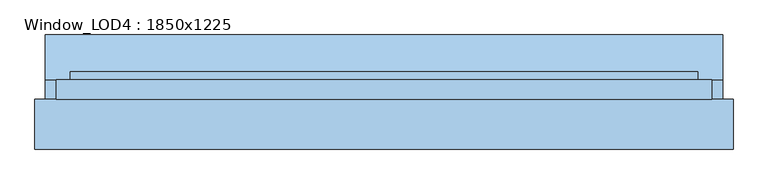
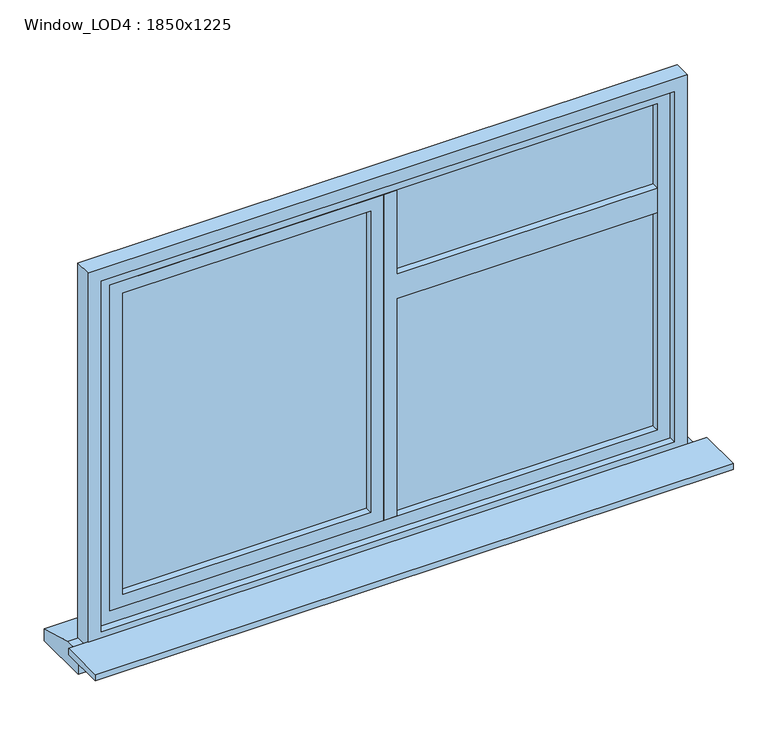
"""IFC4 building model written with IfcOpenShell, lengths in millimetres: window geometry, Window_LOD4 : 1850x1225."""

from ifc_helpers import new_model, si_unit, frame, origin, place, context, project, spatial, polyline, outline, extrude, source, transform, mapped, element, save


def window_lod4_1850x1225_7551479c(model_context):
    return source(origin(), model_context, "Body", "SweptSolid", [
        extrude(outline(polyline([(1590.0, 40.0), (1590.0, 845.000037), (1670.0, 845.000037), (1670.0, 40.0), (1945.0000491, 40.0), (1945.0000491, 0.0), (880.0, 0.0), (880.0, 40.0), (1590.0, 40.0)])), frame((0.0, 40.0, 0.0), z_axis=(0.0, 1.0, 0.0), x_axis=(0.0, 0.0, 1.0)), (0.0, 0.0, 1.0), 55.0),
        extrude(outline(polyline([(1945.0000491, 0.0), (1945.0000491, -845.000037), (880.0, -845.000037), (880.0, 0.0), (1945.0000491, 0.0)]), holes=[polyline([(1905.0000491, -40.0), (920.0, -40.0), (920.0, -805.000037), (1905.0000491, -805.000037), (1905.0000491, -40.0)])]), frame((0.0, 40.0, 0.0), z_axis=(0.0, 1.0, 0.0), x_axis=(0.0, 0.0, 1.0)), (0.0, 0.0, 1.0), 55.0),
        extrude(outline(polyline([(845.000037, 62.5), (40.0, 62.5), (40.0, 72.5), (845.000037, 72.5), (845.000037, 62.5)])), frame((0.0, 0.0, 880.0), z_axis=(0.0, 0.0, 1.0), x_axis=(1.0, 0.0, 0.0)), (0.0, 0.0, 1.0), 1065.0000491),
        extrude(outline(polyline([(1985.0000491, -885.000037), (840.0, -885.000037), (840.0, 885.000037), (1985.0000491, 885.000037), (1985.0000491, -885.000037)]), holes=[polyline([(1945.0000491, -845.000037), (1945.0000491, 845.000037), (880.0, 845.000037), (880.0, -845.000037), (1945.0000491, -845.000037)])]), frame((0.0, 40.0, 0.0), z_axis=(0.0, 1.0, 0.0), x_axis=(0.0, 0.0, 1.0)), (0.0, 0.0, 1.0), 55.0),
        extrude(outline(polyline([(-40.0, 62.5), (-845.000037, 62.5), (-845.000037, 72.5), (-40.0, 72.5), (-40.0, 62.5)])), frame((0.0, 0.0, 880.0), z_axis=(0.0, 0.0, 1.0), x_axis=(1.0, 0.0, 0.0)), (0.0, 0.0, 1.0), 1065.0000491),
        extrude(outline(polyline([(72.5, 800.0), (198.514732, 765.0), (198.514732, 725.0), (17.5, 725.0), (17.5, 800.0), (72.5, 800.0)])), frame((-955.8151868, 0.0, 0.0), z_axis=(1.0, 0.0, 0.0), x_axis=(0.0, 1.0, 0.0)), (0.0, 0.0, 1.0), 1911.6303737),
        extrude(outline(polyline([(2025.0000491, -925.000037), (800.0, -925.000037), (800.0, 925.000037), (2025.0000491, 925.000037), (2025.0000491, -925.000037)]), holes=[polyline([(1985.0000491, -885.000037), (1985.0000491, 885.000037), (840.0, 885.000037), (840.0, -885.000037), (1985.0000491, -885.000037)])]), frame((0.0, 17.5, 0.0), z_axis=(0.0, 1.0, 0.0), x_axis=(0.0, 0.0, 1.0)), (0.0, 0.0, 1.0), 55.0),
        extrude(outline(polyline([(985.000037, 17.5), (985.000037, -123.2707589), (-985.000037, -123.2707589), (-985.000037, 17.5), (985.000037, 17.5)])), frame((0.0, 0.0, 800.0), z_axis=(0.0, 0.0, 1.0), x_axis=(1.0, 0.0, 0.0)), (0.0, 0.0, 1.0), 20.0),
    ])


if __name__ == "__main__":
    model = new_model("IFC4")
    model_context = context("Model", 3, world=origin())
    ifc_project = project(units=[si_unit("LENGTHUNIT", "METRE", prefix="MILLI")], contexts=[model_context])
    site = spatial("IfcSite", under=ifc_project)
    building = spatial("IfcBuilding", under=site)
    placement = place(None, origin())
    window_lod4_1850x1225_shape = window_lod4_1850x1225_7551479c(model_context)
    element("IfcWindow", 1, ObjectType="Window_LOD4 : 1850x1225", at=placement, inside=building, context=model_context, shape_type="MappedRepresentation", body=[
        mapped(window_lod4_1850x1225_shape, transform((0.0, 0.0, 0.0), x_axis=(1.0, 0.0, 0.0), y_axis=(0.0, 1.0, 0.0), z_axis=(0.0, 0.0, 1.0))),
    ])
    save(model, "model.ifc")
